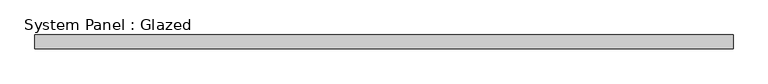
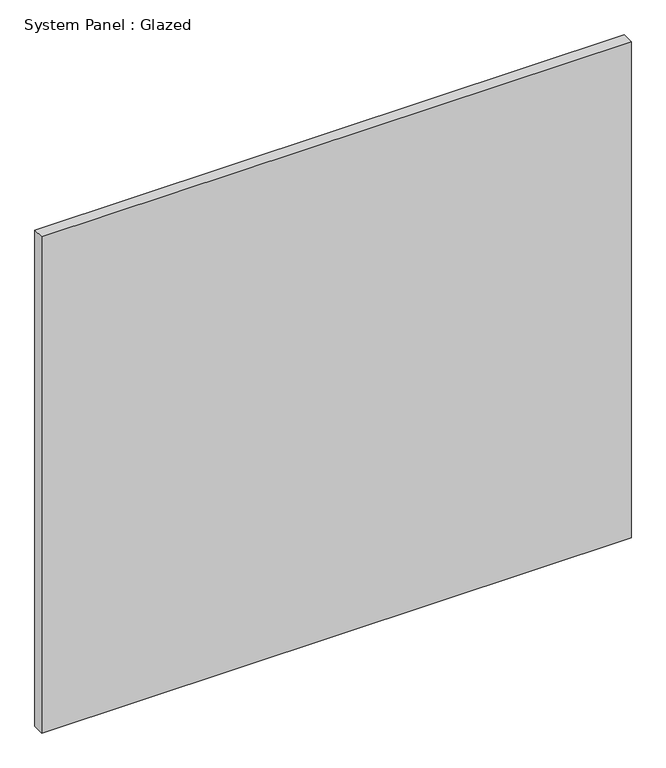
"""IFC4 building model written with IfcOpenShell, lengths in millimetres: plate geometry, System Panel : Glazed."""

from ifc_helpers import new_model, si_unit, origin, origin_with_axes, place, context, project, spatial, polyline, outline, extrude, source, transform, mapped, element, save


def system_panel_glazed_87fccaf8(model_context):
    return source(origin(), model_context, "Body", "SweptSolid", [
        extrude(outline(polyline([(649.0707079, 19.05), (-649.0707079, 19.05), (-649.0707079, 44.45), (649.0707079, 44.45), (649.0707079, 19.05)])), origin_with_axes(), (0.0, 0.0, 1.0), 1155.7),
    ])


if __name__ == "__main__":
    model = new_model("IFC4")
    model_context = context("Model", 3, world=origin())
    ifc_project = project(units=[si_unit("LENGTHUNIT", "METRE", prefix="MILLI")], contexts=[model_context])
    site = spatial("IfcSite", under=ifc_project)
    building = spatial("IfcBuilding", under=site)
    placement = place(None, origin())
    system_panel_glazed_shape = system_panel_glazed_87fccaf8(model_context)
    element("IfcPlate", 1, ObjectType="System Panel : Glazed", at=placement, inside=building, context=model_context, shape_type="MappedRepresentation", body=[
        mapped(system_panel_glazed_shape, transform((0.0, 0.0, 0.0), x_axis=(1.0, 0.0, 0.0), y_axis=(0.0, 1.0, 0.0), z_axis=(0.0, 0.0, 1.0))),
    ])
    save(model, "model.ifc")
